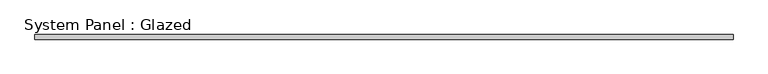
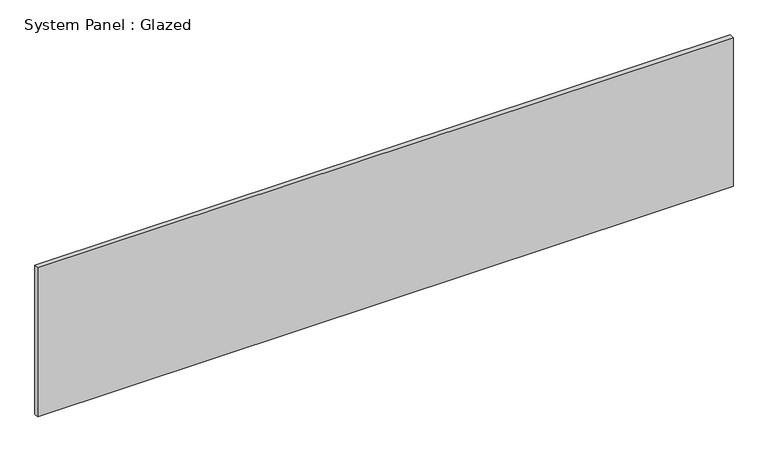
"""IFC4 building model written with IfcOpenShell, lengths in millimetres: plate geometry, System Panel : Glazed."""

from ifc_helpers import new_model, si_unit, origin, origin_with_axes, place, context, project, spatial, polyline, outline, extrude, source, transform, mapped, element, save


def system_panel_glazed_eee067d5(model_context):
    return source(origin(), model_context, "Body", "SweptSolid", [
        extrude(outline(polyline([(1878.0804359, 24.5), (-1878.0804359, 24.5), (-1878.0804359, 49.5), (1878.0804359, 49.5), (1878.0804359, 24.5)])), origin_with_axes(), (0.0, 0.0, 1.0), 850.0),
    ])


if __name__ == "__main__":
    model = new_model("IFC4")
    model_context = context("Model", 3, world=origin())
    ifc_project = project(units=[si_unit("LENGTHUNIT", "METRE", prefix="MILLI")], contexts=[model_context])
    site = spatial("IfcSite", under=ifc_project)
    building = spatial("IfcBuilding", under=site)
    placement = place(None, origin())
    system_panel_glazed_shape = system_panel_glazed_eee067d5(model_context)
    element("IfcPlate", 1, ObjectType="System Panel : Glazed", at=placement, inside=building, context=model_context, shape_type="MappedRepresentation", body=[
        mapped(system_panel_glazed_shape, transform((0.0, 0.0, 0.0), x_axis=(1.0, 0.0, 0.0), y_axis=(0.0, 1.0, 0.0), z_axis=(0.0, 0.0, 1.0))),
    ])
    save(model, "model.ifc")
